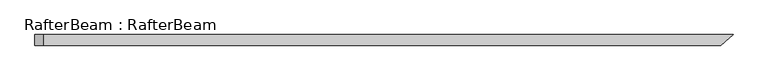
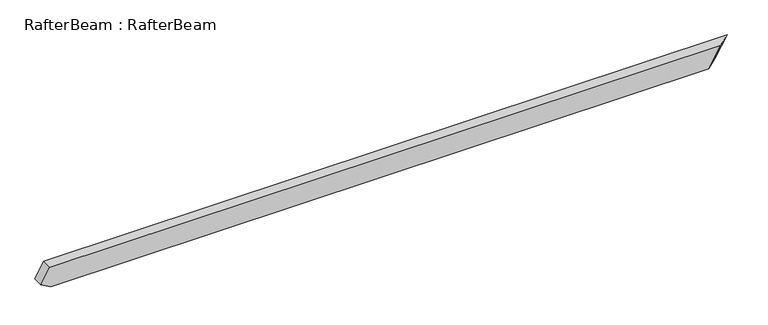
"""IFC4 building model written with IfcOpenShell, lengths in millimetres: beam geometry, RafterBeam : RafterBeam."""

from ifc_helpers import new_model, si_unit, origin, place, context, project, spatial, faceted_brep, source, transform, mapped, element, save


def rafterbeam_rafterbeam_585fdf01(model_context):
    return source(origin(), model_context, "Body", "Brep", [
        faceted_brep([(2492.8334101, -40.0, 80.0), (2586.0635887, 40.0, 80.0), (-2604.7682258, 40.0, 80.0), (-2604.7682258, -40.0, 80.0), (2493.6875456, 40.0, -80.0), (2400.457367, -40.0, -80.0), (-2597.1442689, -40.0, -80.0), (-2597.1442689, 40.0, -80.0), (-2672.1442689, 40.0, -36.6987298), (-2672.1442689, -40.0, -36.6987298)], [[[0, 1, 2, 3]], [[4, 5, 6, 7]], [[1, 4, 7, 8, 2]], [[5, 0, 3, 9, 6]], [[0, 5, 4, 1]], [[3, 2, 8, 9]], [[7, 6, 9, 8]]]),
    ])


if __name__ == "__main__":
    model = new_model("IFC4")
    model_context = context("Model", 3, world=origin())
    ifc_project = project(units=[si_unit("LENGTHUNIT", "METRE", prefix="MILLI")], contexts=[model_context])
    site = spatial("IfcSite", under=ifc_project)
    building = spatial("IfcBuilding", under=site)
    placement = place(None, origin())
    rafterbeam_rafterbeam_shape = rafterbeam_rafterbeam_585fdf01(model_context)
    element("IfcBeam", 1, ObjectType="RafterBeam : RafterBeam", at=placement, inside=building, context=model_context, shape_type="MappedRepresentation", body=[
        mapped(rafterbeam_rafterbeam_shape, transform((0.0, 0.0, 0.0), x_axis=(1.0, 0.0, 0.0), y_axis=(0.0, 1.0, 0.0), z_axis=(0.0, 0.0, 1.0))),
    ])
    save(model, "model.ifc")
